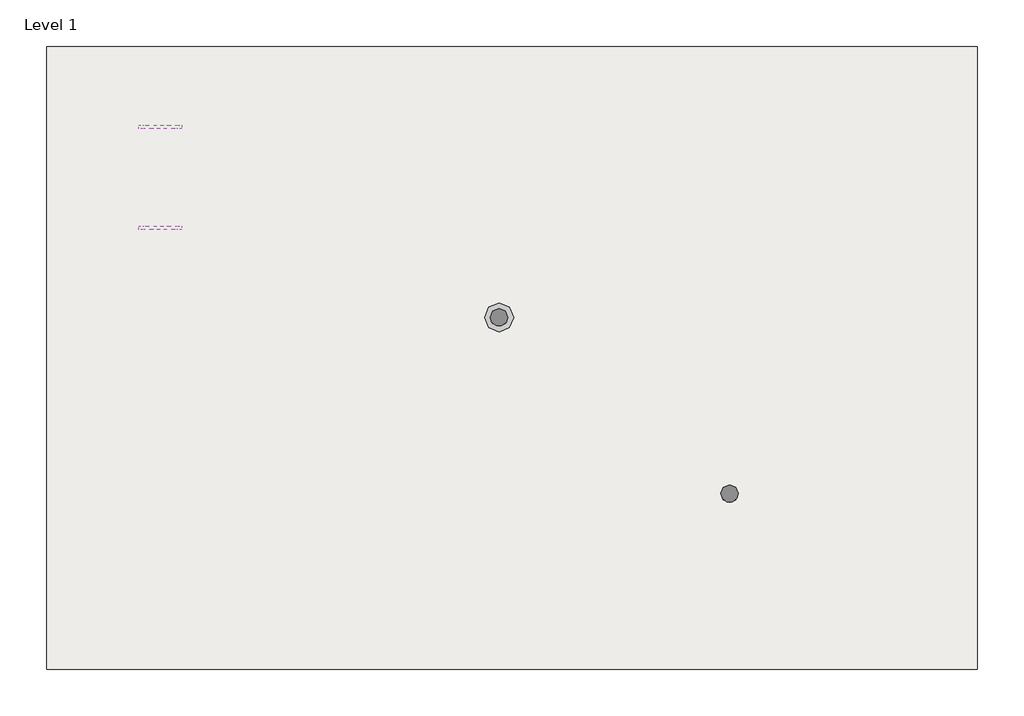
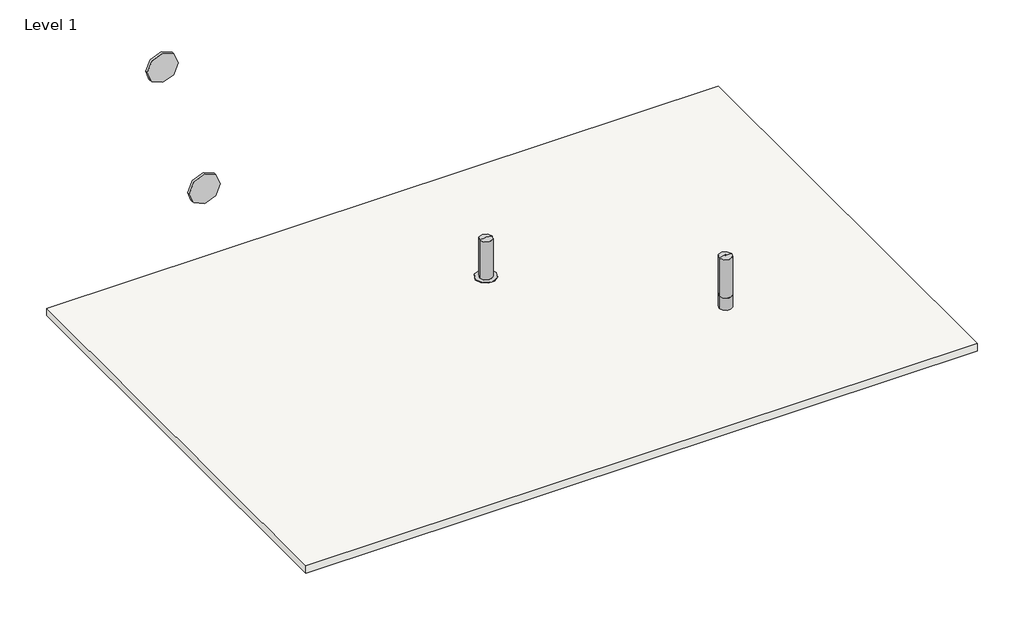
# One storey: 2 furniture elements, 2 proxies, 1 slab.
"""IFC4 building model written with IfcOpenShell, lengths in millimetres."""

import ifcopenshell
import ifcopenshell.guid

model = None  # the IFC model being written
_history = None  # IfcOwnerHistory: only IFC2X3 demands one
_inside = {}  # id of a spatial element -> (the spatial element, [elements in it])
_under = {}  # id of a project, library or spatial element -> (it, [spatial elements below it])
_declared = {}  # id of a project -> (the project, [libraries it declares])
_typed = {}  # id of a type object -> (the type object, [elements of that type])
_made_of = {}  # id of a material, layer set ... -> (it, [elements and type objects made of it])


def new_model(schema):
    """Start an empty IFC model of exactly this schema.

    Asked for "IFC4X3", IfcOpenShell would pick the latest addendum, in which some entities
    have other attributes; the version numbers below select the first issue.
    IFC2X3 requires an IfcOwnerHistory on every rooted entity: one is made here for all.
    """
    global model, _history
    if schema == "IFC4X3":
        model = ifcopenshell.file(schema_version=(4, 3, 0, 0))
    else:
        model = ifcopenshell.file(schema=schema)
    _inside.clear()
    _under.clear()
    _declared.clear()
    _typed.clear()
    _made_of.clear()
    _history = None
    if model.schema == "IFC2X3":
        org = make("IfcOrganization", Name="unknown")
        user = make(
            "IfcPersonAndOrganization",
            ThePerson=make("IfcPerson", FamilyName="unknown"),
            TheOrganization=org,
        )
        app = make(
            "IfcApplication",
            ApplicationDeveloper=org,
            Version="unknown",
            ApplicationFullName="unknown",
            ApplicationIdentifier="unknown",
        )
        _history = make(
            "IfcOwnerHistory",
            OwningUser=user,
            OwningApplication=app,
            ChangeAction="ADDED",
            CreationDate=0,
        )
    return model


def make(cls, **values):
    """One entity of the class cls with the attributes given. An attribute that is None is left unset."""
    return model.create_entity(
        cls, **{name: value for name, value in values.items() if value is not None}
    )


def rooted(cls, **values):
    """An entity with a GlobalId (a new one), such as an element, a storey or a relation."""
    return make(cls, GlobalId=ifcopenshell.guid.new(), OwnerHistory=_history, **values)


def si_unit(unit_type, name, prefix=None):
    """IfcSIUnit, for example si_unit("LENGTHUNIT", "METRE", prefix="MILLI")."""
    return make("IfcSIUnit", UnitType=unit_type, Prefix=prefix, Name=name)


def assignment(units):
    """IfcUnitAssignment: the units of a project."""
    return None if units is None else make("IfcUnitAssignment", Units=units)


def point(xyz):
    """IfcCartesianPoint."""
    return None if xyz is None else make("IfcCartesianPoint", Coordinates=xyz)


def direction(xyz):
    """IfcDirection."""
    return None if xyz is None else make("IfcDirection", DirectionRatios=xyz)


def frame(location, z_axis=None, x_axis=None):
    """IfcAxis2Placement3D, a coordinate frame: its origin and axes. An axis left out is left unset."""
    return make(
        "IfcAxis2Placement3D",
        Location=point(location),
        Axis=direction(z_axis),
        RefDirection=direction(x_axis),
    )


def frame_2d(location, x_axis=None):
    """IfcAxis2Placement2D, a coordinate frame in the plane: its origin and x axis."""
    return make(
        "IfcAxis2Placement2D", Location=point(location), RefDirection=direction(x_axis)
    )


def origin():
    """The frame at (0, 0, 0) with its axes left unset."""
    return frame((0.0, 0.0, 0.0))


def origin_with_axes():
    """The frame at (0, 0, 0) with the z axis (0, 0, 1) and the x axis (1, 0, 0) written out."""
    return frame((0.0, 0.0, 0.0), z_axis=(0.0, 0.0, 1.0), x_axis=(1.0, 0.0, 0.0))


def origin_2d():
    """The frame at (0, 0) in the plane with its x axis left unset."""
    return frame_2d((0.0, 0.0))


def place(relative_to, where):
    """IfcLocalPlacement: puts the frame where relative to a parent placement (None: the world)."""
    return make(
        "IfcLocalPlacement", PlacementRelTo=relative_to, RelativePlacement=where
    )


def context(
    kind, dimensions, precision=None, world=None, true_north=None, identifier=None
):
    """IfcGeometricRepresentationContext, for example the 3D "Model" context."""
    return make(
        "IfcGeometricRepresentationContext",
        ContextIdentifier=identifier,
        ContextType=kind,
        CoordinateSpaceDimension=dimensions,
        Precision=precision,
        WorldCoordinateSystem=world,
        TrueNorth=true_north,
    )


def project(units=None, contexts=None):
    """IfcProject with its units and contexts."""
    return rooted(
        "IfcProject",
        Name="project",
        RepresentationContexts=contexts,
        UnitsInContext=assignment(units),
    )


def spatial(cls, under=None, at=None, **own):
    """A site, building, storey or space (cls), placed at a placement, below another one or the project."""
    s = rooted(cls, ObjectPlacement=at, **own)
    if under is not None:
        _under.setdefault(under.id(), (under, []))[1].append(s)
    return s


def polyline(points):
    """IfcPolyline through the points."""
    return make("IfcPolyline", Points=[point(p) for p in points])


def circle_curve(where, radius):
    """IfcCircle in the frame where."""
    return make("IfcCircle", Position=where, Radius=radius)


def ellipse_curve(where, semi_axis1, semi_axis2):
    """IfcEllipse in the frame where."""
    return make(
        "IfcEllipse", Position=where, SemiAxis1=semi_axis1, SemiAxis2=semi_axis2
    )


def trimmed(basis, trim1, trim2, sense, master):
    """IfcTrimmedCurve: the piece of a basis curve between two trims."""
    return make(
        "IfcTrimmedCurve",
        BasisCurve=basis,
        Trim1=trim1,
        Trim2=trim2,
        SenseAgreement=sense,
        MasterRepresentation=master,
    )


def segment(curve, same_sense, transition):
    """IfcCompositeCurveSegment."""
    return make(
        "IfcCompositeCurveSegment",
        Transition=transition,
        SameSense=same_sense,
        ParentCurve=curve,
    )


def composite_curve(segments, self_intersect=None):
    """IfcCompositeCurve: segments joined end to end."""
    return make("IfcCompositeCurve", Segments=segments, SelfIntersect=self_intersect)


def outline(outer, holes=None, kind="AREA"):
    """IfcArbitraryClosedProfileDef: a profile drawn as a closed curve; with holes, ...WithVoids."""
    if holes is None:
        return make("IfcArbitraryClosedProfileDef", ProfileType=kind, OuterCurve=outer)
    return make(
        "IfcArbitraryProfileDefWithVoids",
        ProfileType=kind,
        OuterCurve=outer,
        InnerCurves=holes,
    )


def extrude(swept, where, along, depth):
    """IfcExtrudedAreaSolid: the profile swept, set in the frame where, extruded along a direction by depth."""
    return make(
        "IfcExtrudedAreaSolid",
        SweptArea=swept,
        Position=where,
        ExtrudedDirection=direction(along),
        Depth=depth,
    )


def shape(context_of_items, identifier, shape_type, items):
    """IfcShapeRepresentation: the items that make up one representation, for example the "Body"."""
    return make(
        "IfcShapeRepresentation",
        ContextOfItems=context_of_items,
        RepresentationIdentifier=identifier,
        RepresentationType=shape_type,
        Items=items,
    )


def source(mapping_origin, context_of_items, identifier, shape_type, items):
    """IfcRepresentationMap: a shape defined once, which mapped items show again and again."""
    return make(
        "IfcRepresentationMap",
        MappingOrigin=mapping_origin,
        MappedRepresentation=shape(context_of_items, identifier, shape_type, items),
    )


def transform(
    local_origin,
    x_axis=None,
    y_axis=None,
    z_axis=None,
    scale=None,
    scale2=None,
    scale3=None,
    uniform=True,
):
    """IfcCartesianTransformationOperator3D, or its non-uniform kind. x_axis, y_axis, z_axis: its Axis1, 2, 3."""
    if uniform:
        return make(
            "IfcCartesianTransformationOperator3D",
            Axis1=direction(x_axis),
            Axis2=direction(y_axis),
            LocalOrigin=point(local_origin),
            Scale=scale,
            Axis3=direction(z_axis),
        )
    return make(
        "IfcCartesianTransformationOperator3DnonUniform",
        Axis1=direction(x_axis),
        Axis2=direction(y_axis),
        LocalOrigin=point(local_origin),
        Scale=scale,
        Axis3=direction(z_axis),
        Scale2=scale2,
        Scale3=scale3,
    )


def mapped(mapping_source, mapping_target):
    """IfcMappedItem: shows the shape of a source again, moved by a transform."""
    return make(
        "IfcMappedItem", MappingSource=mapping_source, MappingTarget=mapping_target
    )


def made_of(thing, what):
    """Note that an element or type object is made of a material, layer set ...; save() writes the relation."""
    if what is not None:
        _made_of.setdefault(what.id(), (what, []))[1].append(thing)
    return thing


def element(
    cls,
    number,
    at=None,
    inside=None,
    cuts=None,
    type_object=None,
    material=None,
    context=None,
    identifier="Body",
    shape_type=None,
    held_by="IfcProductDefinitionShape",
    body=None,
    shapes=None,
    **own,
):
    """One element of the class cls, such as IfcWall. Its Tag is "e" and its number.

    at: its placement. inside: the storey or other place that contains it. cuts: it is an
    opening in that element (IfcRelVoidsElement). A single representation is given by context,
    identifier, shape_type and body (its items); several are given by shapes. held_by: the class
    of the entity that holds the representations. save() writes the other relations.
    """
    e = rooted(cls, Tag="e%d" % number, ObjectPlacement=at, **own)
    if body is not None:
        shapes = [shape(context, identifier, shape_type, body)]
    if shapes is not None:
        e.Representation = make(held_by, Representations=shapes)
    if inside is not None:
        _inside.setdefault(inside.id(), (inside, []))[1].append(e)
    if cuts is not None:
        rooted(
            "IfcRelVoidsElement", RelatingBuildingElement=cuts, RelatedOpeningElement=e
        )
    if type_object is not None:
        _typed.setdefault(type_object.id(), (type_object, []))[1].append(e)
    return made_of(e, material)


def aggregate(whole, parts):
    """IfcRelAggregates: a whole, such as a stair, and the parts it consists of."""
    return rooted("IfcRelAggregates", RelatingObject=whole, RelatedObjects=parts)


def save(model, path):
    """Write the relations noted so far, then the file.

    IfcRelAggregates (storeys below a building ...), IfcRelContainedInSpatialStructure (elements
    in a storey), IfcRelDefinesByType, IfcRelAssociatesMaterial and IfcRelDeclares: one each for
    every whole, place, type object, material and project.
    """
    for whole, parts in _under.values():
        aggregate(whole, parts)
    for where, things in _inside.values():
        rooted(
            "IfcRelContainedInSpatialStructure",
            RelatedElements=things,
            RelatingStructure=where,
        )
    for kind, things in _typed.values():
        rooted("IfcRelDefinesByType", RelatedObjects=things, RelatingType=kind)
    for what, things in _made_of.values():
        rooted("IfcRelAssociatesMaterial", RelatedObjects=things, RelatingMaterial=what)
    for by, libraries in _declared.values():
        rooted("IfcRelDeclares", RelatingContext=by, RelatedDefinitions=libraries)
    model.write(path)


def plane_surface(at):
    """IfcPlane: the flat surface through the origin of the frame at, square to its z axis."""
    return make("IfcPlane", Position=at)


def cylinder_surface(at, radius):
    """IfcCylindricalSurface: all points at the distance radius from the z axis of the frame at."""
    return make("IfcCylindricalSurface", Position=at, Radius=radius)


def revolved_surface(curve, axis_point, axis_direction):
    """IfcSurfaceOfRevolution: the curve turned about the line through axis_point along axis_direction."""
    return make(
        "IfcSurfaceOfRevolution",
        SweptCurve=make("IfcArbitraryOpenProfileDef", ProfileType="CURVE", Curve=curve),
        AxisPosition=make("IfcAxis1Placement", Location=point(axis_point), Axis=direction(axis_direction)),
    )


def advanced_brep(points, edges, surfaces, faces):
    """IfcAdvancedBrep: a solid bounded by faces that lie on surfaces and meet in shared edges.

    An edge is (start, end): straight between two places in points (the first is 0);
    or (start, end, curve); or (start, end, curve, False) where it runs against its curve.
    A face is (place in surfaces, loops), or (place, loops, False) where it looks against
    its surface's normal. A loop lists edges by number (the first is 1), with a minus sign
    where the edge is run from its end to its start. The first loop is the outer one.
    """
    corners = [point(p) for p in points]
    vertices = [make("IfcVertexPoint", VertexGeometry=c) for c in corners]
    made = []
    for start, end, *more in edges:
        made.append(
            make(
                "IfcEdgeCurve",
                EdgeStart=vertices[start],
                EdgeEnd=vertices[end],
                EdgeGeometry=more[0] if more else make("IfcPolyline", Points=[corners[start], corners[end]]),
                SameSense=more[1] if len(more) > 1 else True,
            )
        )
    hull = []
    for where, loops, *sense in faces:
        bounds = []
        for j, loop in enumerate(loops):
            ring = [make("IfcOrientedEdge", EdgeElement=made[abs(k) - 1], Orientation=k > 0) for k in loop]
            bounds.append(
                make(
                    "IfcFaceOuterBound" if j == 0 else "IfcFaceBound",
                    Bound=make("IfcEdgeLoop", EdgeList=ring),
                    Orientation=True,
                )
            )
        hull.append(make("IfcAdvancedFace", Bounds=bounds, FaceSurface=surfaces[where], SameSense=sense[0] if sense else True))
    return make("IfcAdvancedBrep", Outer=make("IfcClosedShell", CfsFaces=hull))


def materialmodel_materialmodel_37012b21(model_context):
    return source(origin(), model_context, "Body", "SweptSolid", [
        extrude(outline(composite_curve([segment(trimmed(circle_curve(frame_2d((300.0, 0.0)), 300.0), [point((300.0, -300.0))], [point((300.0, 300.0))], False, "CARTESIAN"), True, "CONTINUOUS"), segment(trimmed(circle_curve(frame_2d((300.0, 0.0)), 300.0), [point((300.0, 300.0))], [point((300.0, -300.0))], False, "CARTESIAN"), True, "CONTINUOUS")], self_intersect=False)), frame((0.0, -50.0, 0.0), z_axis=(0.0, 1.0, 0.0), x_axis=(0.0, 0.0, 1.0)), (0.0, 0.0, 1.0), 50.0),
    ])


def furniture_fff1de7d(model_context):
    return source(origin(), model_context, "Body", "AdvancedBrep", [
        advanced_brep(
        [(-202.5030979, 0.0, 0.0), (202.5030979, 0.0, 0.0), (122.1427179, 0.0, 784.9998145), (-122.1427179, 0.0, 784.9998145), (-122.1427179, 0.0, 10.0), (122.1427179, 0.0, 10.0), (10.4309225, 0.0, 800.0819365), (-10.4309225, 0.0, 800.0819365), (-202.5030979, 0.0, 10.0), (202.5030979, 0.0, 10.0)],
        [
            (0, 1, circle_curve(frame((0.0, 0.0, 0.0), z_axis=(0.0, 0.0, -1.0), x_axis=(1.0, 0.0, 0.0)), 202.5030979)),
            (1, 0, circle_curve(frame((0.0, 0.0, 0.0), z_axis=(0.0, 0.0, -1.0), x_axis=(1.0, 0.0, 0.0)), 202.5030979)),
            (2, 3, circle_curve(frame((0.0, 0.0, 784.9998145), z_axis=(0.0, 0.0, -1.0), x_axis=(1.0, 0.0, 0.0)), 122.1427179)),
            (3, 4),
            (4, 5, circle_curve(frame((0.0, 0.0, 10.0), z_axis=(0.0, 0.0, 1.0), x_axis=(1.0, 0.0, 0.0)), 122.1427179)),
            (5, 2),
            (3, 2, circle_curve(frame((0.0, 0.0, 784.9998145), z_axis=(0.0, 0.0, -1.0), x_axis=(1.0, 0.0, 0.0)), 122.1427179)),
            (5, 4, circle_curve(frame((0.0, 0.0, 10.0), z_axis=(0.0, 0.0, 1.0), x_axis=(1.0, 0.0, 0.0)), 122.1427179)),
            (6, 7, circle_curve(frame((0.0, 0.0, 800.0819365), z_axis=(0.0, 0.0, -1.0), x_axis=(-1.0, 0.0, 0.0)), 10.4309225)),
            (7, 3, circle_curve(frame((-10.4309225, 0.0, 378.8217321), z_axis=(0.0, -1.0, 0.0), x_axis=(1.0, 0.0, 0.0)), 421.2602044)),
            (2, 6, circle_curve(frame((10.4309225, 0.0, 378.8217321), z_axis=(0.0, -1.0, 0.0), x_axis=(-1.0, 0.0, 0.0)), 421.2602044)),
            (7, 6, circle_curve(frame((0.0, 0.0, 800.0819365), z_axis=(0.0, 0.0, -1.0), x_axis=(1.0, 0.0, 0.0)), 10.4309225)),
            (8, 9, circle_curve(frame((0.0, 0.0, 10.0), z_axis=(0.0, 0.0, 1.0), x_axis=(1.0, 0.0, 0.0)), 202.5030979)),
            (9, 8, circle_curve(frame((0.0, 0.0, 10.0), z_axis=(0.0, 0.0, 1.0), x_axis=(1.0, 0.0, 0.0)), 202.5030979)),
            (8, 0),
            (1, 9),
        ],
        [
            plane_surface(frame((122.1427179, 0.0, 0.0), z_axis=(0.0, 0.0, -1.0), x_axis=(0.0, -1.0, 0.0))),
            cylinder_surface(origin_with_axes(), 122.1427179),
            revolved_surface(trimmed(ellipse_curve(frame((-10.4309225, 0.0, 378.8217321), z_axis=(0.0, 1.0, 0.0), x_axis=(1.0, 0.0, 0.0)), 421.2602044, 421.2602044), [point((-122.1427179, 0.0, 784.9998145))], [point((-10.4309225, 0.0, 800.0819365))], True, "CARTESIAN"), (0.0, 0.0, 0.0), (0.0, 0.0, 1.0)),
            revolved_surface(trimmed(ellipse_curve(frame((10.4309225, 0.0, 378.8217321), z_axis=(0.0, -1.0, 0.0), x_axis=(-1.0, 0.0, 0.0)), 421.2602044, 421.2602044), [point((122.1427179, 0.0, 784.9998145))], [point((10.4309225, 0.0, 800.0819365))], True, "CARTESIAN"), (0.0, 0.0, 0.0), (0.0, 0.0, 1.0)),
            plane_surface(frame((0.0, 0.0, 800.0819365), z_axis=(0.0, 0.0, 1.0), x_axis=(1.0, 0.0, 0.0))),
            plane_surface(frame((202.5030979, 0.0, 10.0), z_axis=(0.0, 0.0, 1.0), x_axis=(0.0, 1.0, 0.0))),
            cylinder_surface(origin_with_axes(), 202.5030979),
        ],
        [
            (0, [[1, 2]]),
            (1, [[3, 4, 5, 6]]),
            (1, [[7, -6, 8, -4]]),
            (2, [[9, 10, -3, 11]]),
            (3, [[-10, 12, -11, -7]]),
            (4, [[-9, -12]]),
            (5, [[13, 14], [-5, -8]]),
            (6, [[-13, 15, -2, 16]]),
            (6, [[-14, -16, -1, -15]]),
        ],
    ),
    ])


def furniture_e9acfa24(model_context):
    return source(origin(), model_context, "Body", "SolidModel", [
        advanced_brep(
        [(-122.1427179, 0.0, 0.0), (122.1427179, 0.0, 0.0), (122.1427179, 0.0, 784.9998145), (-122.1427179, 0.0, 784.9998145), (10.4309225, 0.0, 800.0819365), (-10.4309225, 0.0, 800.0819365)],
        [
            (0, 1, circle_curve(frame((0.0, 0.0, 0.0), z_axis=(0.0, 0.0, -1.0), x_axis=(1.0, 0.0, 0.0)), 122.1427179)),
            (1, 0, circle_curve(frame((0.0, 0.0, 0.0), z_axis=(0.0, 0.0, -1.0), x_axis=(1.0, 0.0, 0.0)), 122.1427179)),
            (1, 2),
            (2, 3, circle_curve(frame((0.0, 0.0, 784.9998145), z_axis=(0.0, 0.0, -1.0), x_axis=(1.0, 0.0, 0.0)), 122.1427179)),
            (3, 0),
            (3, 2, circle_curve(frame((0.0, 0.0, 784.9998145), z_axis=(0.0, 0.0, -1.0), x_axis=(1.0, 0.0, 0.0)), 122.1427179)),
            (4, 5, circle_curve(frame((0.0, 0.0, 800.0819365), z_axis=(0.0, 0.0, -1.0), x_axis=(-1.0, 0.0, 0.0)), 10.4309225)),
            (5, 3, circle_curve(frame((-10.4309225, 0.0, 378.8217321), z_axis=(0.0, -1.0, 0.0), x_axis=(1.0, 0.0, 0.0)), 421.2602044)),
            (2, 4, circle_curve(frame((10.4309225, 0.0, 378.8217321), z_axis=(0.0, -1.0, 0.0), x_axis=(-1.0, 0.0, 0.0)), 421.2602044)),
            (5, 4, circle_curve(frame((0.0, 0.0, 800.0819365), z_axis=(0.0, 0.0, -1.0), x_axis=(1.0, 0.0, 0.0)), 10.4309225)),
        ],
        [
            plane_surface(frame((122.1427179, 0.0, 0.0), z_axis=(0.0, 0.0, -1.0), x_axis=(0.0, -1.0, 0.0))),
            cylinder_surface(origin_with_axes(), 122.1427179),
            revolved_surface(trimmed(ellipse_curve(frame((-10.4309225, 0.0, 378.8217321), z_axis=(0.0, 1.0, 0.0), x_axis=(1.0, 0.0, 0.0)), 421.2602044, 421.2602044), [point((-122.1427179, 0.0, 784.9998145))], [point((-10.4309225, 0.0, 800.0819365))], True, "CARTESIAN"), (0.0, 0.0, 0.0), (0.0, 0.0, 1.0)),
            revolved_surface(trimmed(ellipse_curve(frame((10.4309225, 0.0, 378.8217321), z_axis=(0.0, -1.0, 0.0), x_axis=(-1.0, 0.0, 0.0)), 421.2602044, 421.2602044), [point((122.1427179, 0.0, 784.9998145))], [point((10.4309225, 0.0, 800.0819365))], True, "CARTESIAN"), (0.0, 0.0, 0.0), (0.0, 0.0, 1.0)),
            plane_surface(frame((0.0, 0.0, 800.0819365), z_axis=(0.0, 0.0, 1.0), x_axis=(1.0, 0.0, 0.0))),
        ],
        [
            (0, [[1, 2]]),
            (1, [[-2, 3, 4, 5]]),
            (1, [[-1, -5, 6, -3]]),
            (2, [[7, 8, -4, 9]]),
            (3, [[-8, 10, -9, -6]]),
            (4, [[-7, -10]]),
        ],
    ),
        extrude(outline(composite_curve([segment(trimmed(circle_curve(origin_2d(), 122.1427179), [point((-122.1427179, 0.0))], [point((122.1427179, 0.0))], False, "CARTESIAN"), True, "CONTINUOUS"), segment(trimmed(circle_curve(origin_2d(), 122.1427179), [point((122.1427179, 0.0))], [point((-122.1427179, 0.0))], False, "CARTESIAN"), True, "CONTINUOUS")], self_intersect=False)), frame((0.0, 0.0, -250.0), z_axis=(0.0, 0.0, 1.0), x_axis=(1.0, 0.0, 0.0)), (0.0, 0.0, 1.0), 250.0),
    ])


model = new_model("IFC4")

# Units and contexts
model_context = context("Model", 3, world=origin())
ifc_project = project(units=[si_unit("LENGTHUNIT", "METRE", prefix="MILLI")], contexts=[model_context])

# Site, building, storey
site = spatial("IfcSite", under=ifc_project)
building = spatial("IfcBuilding", under=site)
storey = spatial("IfcBuildingStorey", under=building, Name="Level 1", Elevation=0.0)

# Proxies
placement = place(None, origin())
materialmodel_materialmodel_shape = materialmodel_materialmodel_37012b21(model_context)
element("IfcBuildingElementProxy", 1, Name="MaterialModel : MaterialModel", ObjectType="MaterialModel : MaterialModel", at=placement, inside=storey, context=model_context, shape_type="MappedRepresentation", body=[
    mapped(materialmodel_materialmodel_shape, transform((-14884.1605434, 10277.0543529, 3143.7881195), x_axis=(1.0, 0.0, 0.0), y_axis=(0.0, 1.0, 0.0), z_axis=(0.0, 0.0, 1.0))),
])
element("IfcBuildingElementProxy", 2, Name="MaterialModel : MaterialModel", ObjectType="MaterialModel : MaterialModel", at=placement, inside=storey, context=model_context, shape_type="MappedRepresentation", body=[
    mapped(materialmodel_materialmodel_shape, transform((-14884.1605434, 11686.0773566, 4768.8752028), x_axis=(1.0, 0.0, 0.0), y_axis=(0.0, 1.0, 0.0), z_axis=(0.0, 0.0, 1.0))),
])

# Furniture
furniture_shape = furniture_fff1de7d(model_context)
element("IfcFurniture", 3, at=placement, inside=storey, context=model_context, shape_type="MappedRepresentation", body=[
    mapped(furniture_shape, transform((-10153.3488999, 9000.4968311, 738.1100013), x_axis=(1.0, 0.0, 0.0), y_axis=(0.0, 1.0, 0.0), z_axis=(0.0, 0.0, 1.0))),
])
furniture_2_shape = furniture_e9acfa24(model_context)
element("IfcFurniture", 4, at=placement, inside=storey, context=model_context, shape_type="MappedRepresentation", body=[
    mapped(furniture_2_shape, transform((-6933.3488999, 6539.3767164, 738.1100013), x_axis=(1.0, 0.0, 0.0), y_axis=(0.0, 1.0, 0.0), z_axis=(0.0, 0.0, 1.0))),
])

# Slab
element("IfcSlab", 5, ObjectType="Generic 150mm", at=placement, inside=storey, context=model_context, shape_type="SweptSolid", body=[
    extrude(outline(polyline([(-3472.1900855, 12786.0981081), (-3472.1900855, 4086.0981081), (-16472.1900855, 4086.0981081), (-16472.1900855, 12786.0981081), (-3472.1900855, 12786.0981081)])), frame((0.0, 0.0, -150.0), z_axis=(0.0, 0.0, 1.0), x_axis=(1.0, 0.0, 0.0)), (0.0, 0.0, 1.0), 150.0),
])

save(model, "model.ifc")
